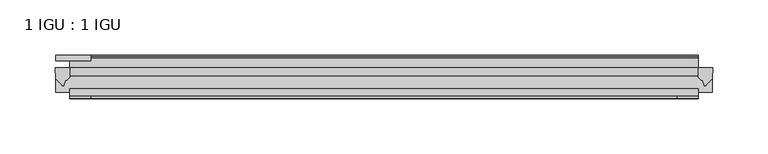
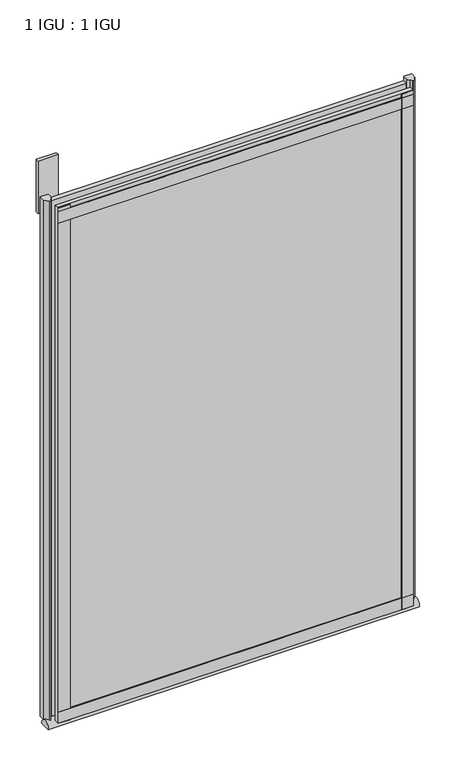
"""IFC4 building model written with IfcOpenShell, lengths in millimetres: plate geometry, 1 IGU : 1 IGU."""

from ifc_helpers import new_model, si_unit, point, frame, frame_2d, origin, place, context, project, spatial, polyline, circle_curve, ellipse_curve, trimmed, segment, composite_curve, outline, extrude, source, transform, mapped, element, save
from ifc_brep_helpers import plane_surface, extruded_surface, advanced_brep


def plate_1_igu_1_igu_d738a086(model_context):
    return source(origin(), model_context, "Body", "SolidModel", [
        extrude(outline(polyline([(283.918508, -11.6085937), (283.918508, -18.8576359), (-283.918508, -18.8576359), (-283.918508, -11.6085937), (283.918508, -11.6085937)])), frame((0.0, 0.0, -19.05), z_axis=(0.0, 0.0, 1.0), x_axis=(1.0, 0.0, 0.0)), (0.0, 0.0, 1.0), 869.9409101),
        extrude(outline(polyline([(-283.918508, -30.7093937), (283.918508, -30.7093937), (283.918508, -37.0085937), (-283.918508, -37.0085937), (-283.918508, -30.7093937)])), frame((0.0, 0.0, -19.05), z_axis=(0.0, 0.0, 1.0), x_axis=(1.0, 0.0, 0.0)), (0.0, 0.0, 1.0), 869.9409101),
        extrude(outline(polyline([(-296.618508, -5.3578125), (-296.618508, -0.4960938), (-264.868508, -0.4960938), (-264.868508, -5.3578125), (-296.618508, -5.3578125)])), frame((0.0, 0.0, 825.4909101), z_axis=(0.0, 0.0, 1.0), x_axis=(1.0, 0.0, 0.0)), (0.0, 0.0, 1.0), 88.9),
        advanced_brep(
        [(296.618508, -33.6472189, -28.575), (296.618508, -14.9699686, -28.575), (-296.618508, -33.6472189, -28.575), (-296.618508, -14.9699686, -28.575)],
        [
            (0, 1),
            (1, 0, ellipse_curve(frame((296.618508, -24.3085937, -28.575), z_axis=(1.0, 0.0, 0.0), x_axis=(0.0, 0.0, 1.0)), 10.6973372, 9.3386252)),
            (2, 3, ellipse_curve(frame((-296.618508, -24.3085937, -28.575), z_axis=(-1.0, 0.0, 0.0), x_axis=(0.0, 0.0, 1.0)), 10.6973372, 9.3386252)),
            (3, 2),
            (0, 2),
            (3, 1),
        ],
        [
            plane_surface(frame((296.618508, -9.2273438, -28.575), z_axis=(1.0, 0.0, 0.0), x_axis=(0.0, 1.0, 0.0))),
            plane_surface(frame((-296.618508, -9.2273437, -28.575), z_axis=(-1.0, 0.0, 0.0), x_axis=(0.0, 1.0, 0.0))),
            plane_surface(frame((296.618508, -33.6472189, -28.575), z_axis=(0.0, 0.0, -1.0), x_axis=(-1.0, 0.0, 0.0))),
            extruded_surface(trimmed(ellipse_curve(frame((-296.618508, -24.3085937, -28.575), z_axis=(1.0, 0.0, 0.0), x_axis=(0.0, 0.0, 1.0)), 10.6973372, 9.3386252), [point((-296.618508, -14.9699686, -28.575))], [point((-296.618508, -33.6472189, -28.575))], True, "CARTESIAN"), (593.237016, 0.0, 0.0), 593.237016),
        ],
        [
            (0, [[1, 2]]),
            (1, [[3, 4]]),
            (2, [[-1, 5, -4, 6]]),
            (3, [[-2, -6, -3, -5]]),
        ],
    ),
        extrude(outline(composite_curve([segment(polyline([(296.9964172, -11.6101465), (296.618508, -21.3502133), (290.6804547, -27.6095865)]), True, "CONTINUOUS"), segment(trimmed(circle_curve(frame_2d((290.0076487, -27.2518492)), 0.762), [point((290.6804547, -27.6095865))], [point((289.2789445, -27.4746364))], False, "CARTESIAN"), True, "CONTINUOUS"), segment(polyline([(289.2789445, -27.4746364), (288.0171099, -23.3488397)]), True, "CONTINUOUS"), segment(trimmed(circle_curve(frame_2d((290.199067, -16.3834724)), 7.2991286), [point((288.0171099, -23.3488397))], [point((283.9186866, -20.1028944))], False, "CARTESIAN"), True, "CONTINUOUS"), segment(polyline([(283.9186866, -20.1028944), (283.9186866, -12.664425)]), True, "CONTINUOUS"), segment(trimmed(circle_curve(frame_2d((290.1999411, -16.3827796)), 7.2993369), [point((283.9186866, -12.664425))], [point((284.677053, -11.6101465))], False, "CARTESIAN"), True, "CONTINUOUS"), segment(polyline([(284.677053, -11.6101465), (296.9964172, -11.6101465)]), True, "CONTINUOUS")], self_intersect=False)), frame((0.0, 0.0, -19.05), z_axis=(0.0, 0.0, 1.0), x_axis=(1.0, 0.0, 0.0)), (0.0, 0.0, 1.0), 877.0783101),
        extrude(outline(composite_curve([segment(polyline([(-283.918508, -11.610702), (-283.918508, -20.1014769)]), True, "CONTINUOUS"), segment(trimmed(circle_curve(frame_2d((-290.1997024, -16.3829847)), 7.2993552), [point((-283.918508, -20.1014769))], [point((-288.0174578, -23.3484994))], False, "CARTESIAN"), True, "CONTINUOUS"), segment(polyline([(-288.0174578, -23.3484994), (-289.2789445, -27.4746364)]), True, "CONTINUOUS"), segment(trimmed(circle_curve(frame_2d((-290.0076487, -27.2518492)), 0.762), [point((-289.2789445, -27.4746364))], [point((-290.6804547, -27.6095865))], False, "CARTESIAN"), True, "CONTINUOUS"), segment(polyline([(-290.6804547, -27.6095865), (-296.618508, -21.3502133), (-296.9964172, -11.610702), (-283.918508, -11.610702)]), True, "CONTINUOUS")], self_intersect=False)), frame((0.0, 0.0, -19.05), z_axis=(0.0, 0.0, 1.0), x_axis=(1.0, 0.0, 0.0)), (0.0, 0.0, 1.0), 877.0783101),
        extrude(outline(polyline([(-283.918508, -39.2945937), (-283.918508, -37.0085937), (283.918508, -37.0085937), (283.918508, -39.2945937), (-283.918508, -39.2945937)])), frame((0.0, 0.0, -19.05), z_axis=(0.0, 0.0, 1.0), x_axis=(1.0, 0.0, 0.0)), (0.0, 0.0, 1.0), 19.05),
        extrude(outline(composite_curve([segment(polyline([(-3.0995937, 840.8103314), (-3.0995937, 838.7783314), (-5.2585937, 838.7783314), (-5.2585937, 833.4443314), (-1.5755937, 833.4443314), (-1.5755937, 830.3963314), (-5.2585937, 830.3963314), (-5.2585937, 825.5703314), (-0.5298657, 826.2349108), (-0.4061408, 825.3545625)]), True, "CONTINUOUS"), segment(trimmed(circle_curve(frame_2d((-1.4122531, 825.2131626)), 1.016), [point((-0.4061408, 825.3545625))], [point((-1.2708533, 824.2070502))], False, "CARTESIAN"), True, "CONTINUOUS"), segment(polyline([(-1.2708533, 824.2070502), (-11.6085937, 822.7541756), (-11.6085937, 840.8103314), (-3.0995937, 840.8103314)]), True, "CONTINUOUS")], self_intersect=False)), frame((-283.918508, 0.0, 0.0), z_axis=(1.0, 0.0, 0.0), x_axis=(0.0, 1.0, 0.0)), (0.0, 0.0, 1.0), 567.837016),
        extrude(outline(polyline([(-283.918508, -39.2945937), (-283.918508, -37.0085937), (283.918508, -37.0085937), (283.918508, -39.2945937), (-283.918508, -39.2945937)])), frame((0.0, 0.0, 825.4909101), z_axis=(0.0, 0.0, 1.0), x_axis=(1.0, 0.0, 0.0)), (0.0, 0.0, 1.0), 19.05),
        extrude(outline(polyline([(264.868508, -37.0085937), (283.918508, -37.0085937), (283.918508, -39.2945938), (264.868508, -39.2945938), (264.868508, -37.0085937)])), frame((0.0, 0.0, -19.05), z_axis=(0.0, 0.0, 1.0), x_axis=(1.0, 0.0, 0.0)), (0.0, 0.0, 1.0), 869.9409101),
        extrude(outline(polyline([(-283.918508, -39.2945937), (-283.918508, -37.0085937), (-264.868508, -37.0085937), (-264.868508, -39.2945937), (-283.918508, -39.2945937)])), frame((0.0, 0.0, -19.05), z_axis=(0.0, 0.0, 1.0), x_axis=(1.0, 0.0, 0.0)), (0.0, 0.0, 1.0), 869.9409101),
    ])


if __name__ == "__main__":
    model = new_model("IFC4")
    model_context = context("Model", 3, world=origin())
    ifc_project = project(units=[si_unit("LENGTHUNIT", "METRE", prefix="MILLI")], contexts=[model_context])
    site = spatial("IfcSite", under=ifc_project)
    building = spatial("IfcBuilding", under=site)
    placement = place(None, origin())
    plate_1_igu_1_igu_shape = plate_1_igu_1_igu_d738a086(model_context)
    element("IfcPlate", 1, ObjectType="1 IGU : 1 IGU", at=placement, inside=building, context=model_context, shape_type="MappedRepresentation", body=[
        mapped(plate_1_igu_1_igu_shape, transform((0.0, 0.0, 0.0), x_axis=(1.0, 0.0, 0.0), y_axis=(0.0, 1.0, 0.0), z_axis=(0.0, 0.0, 1.0))),
    ])
    save(model, "model.ifc")
